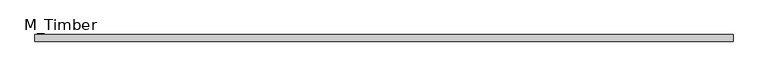
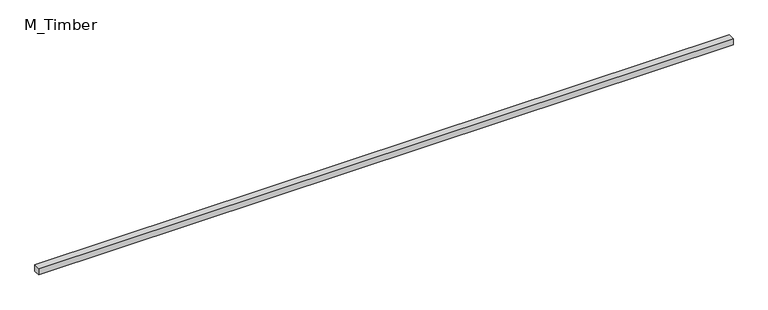
"""IFC4 building model written with IfcOpenShell, lengths in millimetres: beam geometry, M_Timber."""

from ifc_helpers import new_model, si_unit, frame, origin, place, context, project, spatial, polyline, outline, extrude, source, transform, mapped, element, save


def m_timber_b0143477(model_context):
    return source(origin(), model_context, "Body", "SweptSolid", [
        extrude(outline(polyline([(2110.0016528, 20.0), (2110.0016528, -20.0), (-2110.0016528, -20.0), (-2110.0016528, 20.0), (2110.0016528, 20.0)])), frame((0.0, 0.0, -20.0), z_axis=(0.0, 0.0, 1.0), x_axis=(1.0, 0.0, 0.0)), (0.0, 0.0, 1.0), 40.0),
    ])


if __name__ == "__main__":
    model = new_model("IFC4")
    model_context = context("Model", 3, world=origin())
    ifc_project = project(units=[si_unit("LENGTHUNIT", "METRE", prefix="MILLI")], contexts=[model_context])
    site = spatial("IfcSite", under=ifc_project)
    building = spatial("IfcBuilding", under=site)
    placement = place(None, origin())
    m_timber_shape = m_timber_b0143477(model_context)
    element("IfcBeam", 1, ObjectType="M_Timber", at=placement, inside=building, context=model_context, shape_type="MappedRepresentation", body=[
        mapped(m_timber_shape, transform((0.0, 0.0, 0.0), x_axis=(1.0, 0.0, 0.0), y_axis=(0.0, 1.0, 0.0), z_axis=(0.0, 0.0, 1.0))),
    ])
    save(model, "model.ifc")
